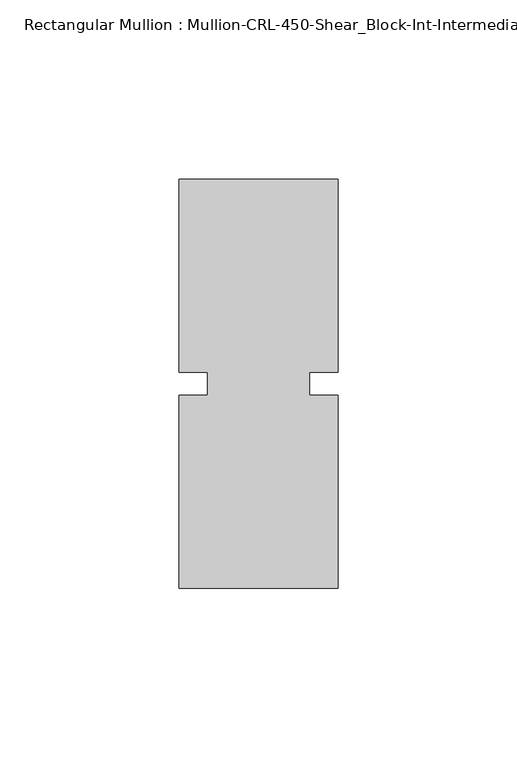
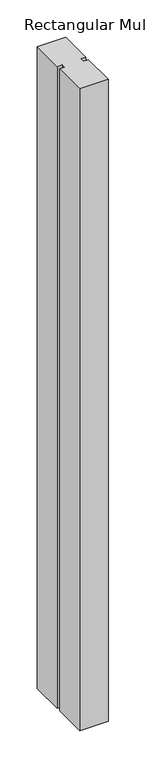
"""IFC4 building model written with IfcOpenShell, lengths in millimetres: member geometry, Rectangular Mullion : Mullion-CRL-450-Shear_Block-Int-Intermediate_Horizontal."""

from ifc_helpers import new_model, si_unit, frame, origin, place, context, project, spatial, polyline, outline, extrude, source, transform, mapped, element, save


def rectangular_mullion_mullion_crl_450_shear_block_int_c74b76cf(model_context):
    return source(origin(), model_context, "Body", "SweptSolid", [
        extrude(outline(polyline([(-22.2249304, -3.175), (-14.2747305, -3.175), (-14.2747305, 3.175), (-22.2249304, 3.175), (-22.2249304, 57.15), (22.2249304, 57.15), (22.2249304, 3.175), (14.2874304, 3.175), (14.2874304, -3.175), (22.2249304, -3.175), (22.2249304, -57.15), (-22.2249304, -57.15), (-22.2249304, -3.175)])), frame((0.0, 0.0, -1053.041609), z_axis=(0.0, 0.0, 1.0), x_axis=(1.0, 0.0, 0.0)), (0.0, 0.0, 1.0), 1053.041609),
    ])


if __name__ == "__main__":
    model = new_model("IFC4")
    model_context = context("Model", 3, world=origin())
    ifc_project = project(units=[si_unit("LENGTHUNIT", "METRE", prefix="MILLI")], contexts=[model_context])
    site = spatial("IfcSite", under=ifc_project)
    building = spatial("IfcBuilding", under=site)
    placement = place(None, origin())
    rectangular_mullion_mullion_crl_450_shear_block_int_shape = rectangular_mullion_mullion_crl_450_shear_block_int_c74b76cf(model_context)
    element("IfcMember", 1, ObjectType="Rectangular Mullion : Mullion-CRL-450-Shear_Block-Int-Intermediate_Horizontal", at=placement, inside=building, context=model_context, shape_type="MappedRepresentation", body=[
        mapped(rectangular_mullion_mullion_crl_450_shear_block_int_shape, transform((0.0, 0.0, 0.0), x_axis=(1.0, 0.0, 0.0), y_axis=(0.0, 1.0, 0.0), z_axis=(0.0, 0.0, 1.0))),
    ])
    save(model, "model.ifc")
